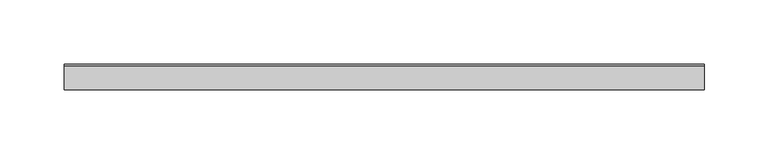
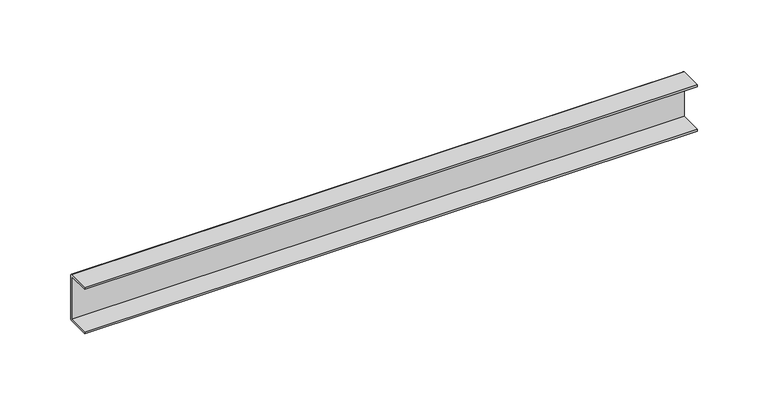
"""IFC4 building model written with IfcOpenShell, lengths in millimetres: proxy geometry."""

from ifc_helpers import new_model, si_unit, point, frame, frame_2d, origin, place, context, project, spatial, polyline, circle_curve, trimmed, segment, composite_curve, outline, extrude, source, transform, mapped, element, save


def mechanical_equipment_5f58a3dc(model_context):
    return source(origin(), model_context, "Body", "SweptSolid", [
        extrude(outline(composite_curve([segment(polyline([(-10.0, 38.4), (-10.0, 40.0), (8.4, 40.0)]), True, "CONTINUOUS"), segment(trimmed(circle_curve(frame_2d((8.4, 38.4)), 1.6), [point((8.4, 40.0))], [point((10.0, 38.4))], False, "CARTESIAN"), True, "CONTINUOUS"), segment(polyline([(10.0, 38.4), (10.0, 1.6)]), True, "CONTINUOUS"), segment(trimmed(circle_curve(frame_2d((8.4, 1.6)), 1.6), [point((10.0, 1.6))], [point((8.4, 0.0))], False, "CARTESIAN"), True, "CONTINUOUS"), segment(polyline([(8.4, 0.0), (-10.0, 0.0), (-10.0, 1.6), (8.4, 1.6), (8.4, 38.4), (-10.0, 38.4)]), True, "CONTINUOUS")], self_intersect=False)), frame((0.0, 0.0, 0.0), z_axis=(1.0, 0.0, 0.0), x_axis=(0.0, 1.0, 0.0)), (0.0, 0.0, 1.0), 500.0),
    ])


if __name__ == "__main__":
    model = new_model("IFC4")
    model_context = context("Model", 3, world=origin())
    ifc_project = project(units=[si_unit("LENGTHUNIT", "METRE", prefix="MILLI")], contexts=[model_context])
    site = spatial("IfcSite", under=ifc_project)
    building = spatial("IfcBuilding", under=site)
    placement = place(None, origin())
    mechanical_equipment_shape = mechanical_equipment_5f58a3dc(model_context)
    element("IfcBuildingElementProxy", 1, Name="Mechanical Equipment", at=placement, inside=building, context=model_context, shape_type="MappedRepresentation", body=[
        mapped(mechanical_equipment_shape, transform((0.0, 0.0, 0.0), x_axis=(1.0, 0.0, 0.0), y_axis=(0.0, 1.0, 0.0), z_axis=(0.0, 0.0, 1.0))),
    ])
    save(model, "model.ifc")
